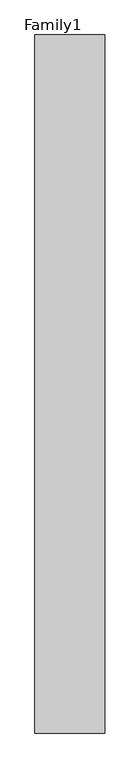
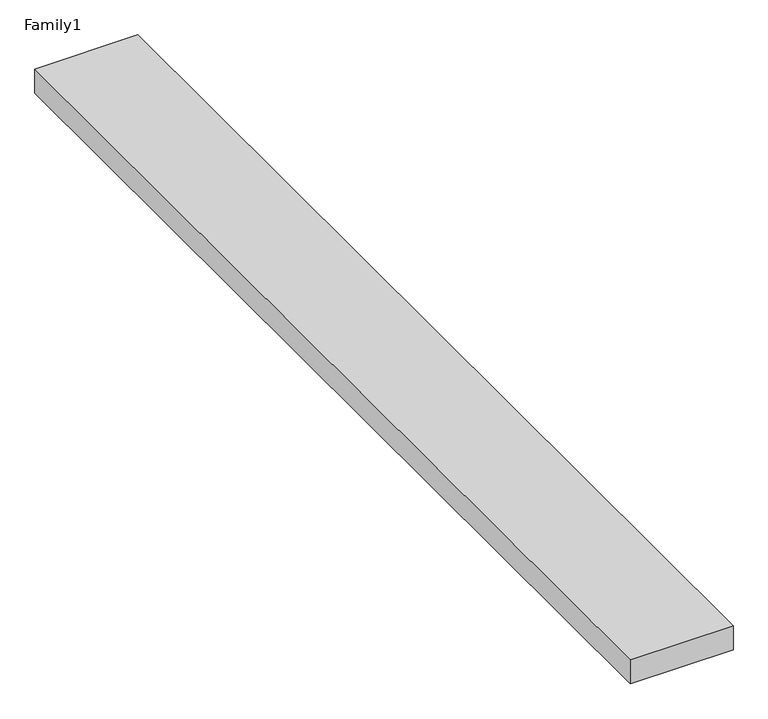
"""IFC4 building model written with IfcOpenShell, lengths in millimetres: proxy geometry, Family1."""

from ifc_helpers import new_model, si_unit, origin, origin_with_axes, place, context, project, spatial, polyline, outline, extrude, source, transform, mapped, element, save


def family1_c2978dfc(model_context):
    return source(origin(), model_context, "Body", "SweptSolid", [
        extrude(outline(polyline([(5000.0, 0.0), (0.0, 0.0), (0.0, 50000.0), (5000.0, 50000.0), (5000.0, 0.0)])), origin_with_axes(), (0.0, 0.0, 1.0), 1236.0),
    ])


if __name__ == "__main__":
    model = new_model("IFC4")
    model_context = context("Model", 3, world=origin())
    ifc_project = project(units=[si_unit("LENGTHUNIT", "METRE", prefix="MILLI")], contexts=[model_context])
    site = spatial("IfcSite", under=ifc_project)
    building = spatial("IfcBuilding", under=site)
    placement = place(None, origin())
    family1_shape = family1_c2978dfc(model_context)
    element("IfcBuildingElementProxy", 1, Name="Family1", ObjectType="Family1", at=placement, inside=building, context=model_context, shape_type="MappedRepresentation", body=[
        mapped(family1_shape, transform((0.0, 0.0, 0.0), x_axis=(1.0, 0.0, 0.0), y_axis=(0.0, 1.0, 0.0), z_axis=(0.0, 0.0, 1.0))),
    ])
    save(model, "model.ifc")
